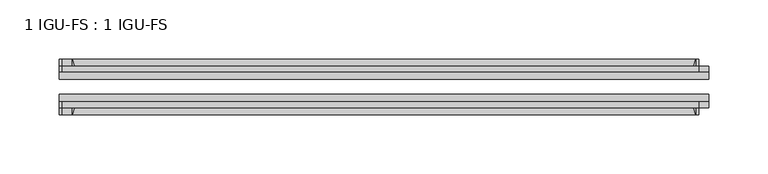
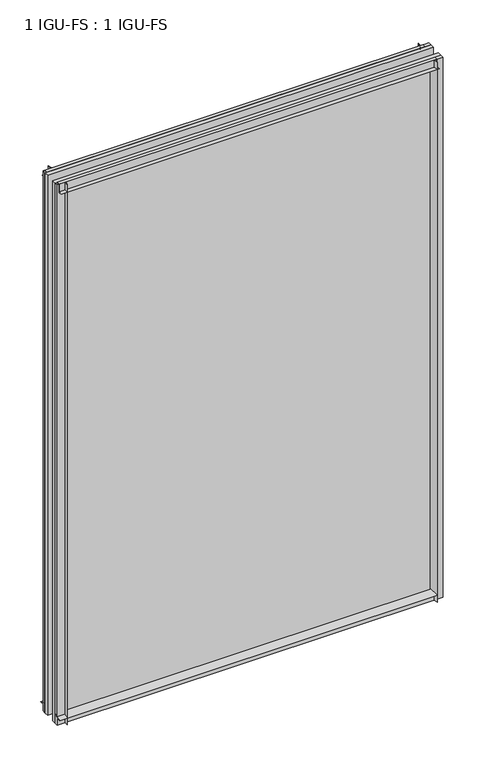
"""IFC4 building model written with IfcOpenShell, lengths in millimetres: plate geometry, 1 IGU-FS : 1 IGU-FS."""

from ifc_helpers import new_model, si_unit, point, frame, frame_2d, origin, place, context, project, spatial, polyline, circle_curve, trimmed, segment, composite_curve, outline, extrude, source, transform, mapped, element, save


def plate_1_igu_fs_1_igu_fs_43744685(model_context):
    return source(origin(), model_context, "Body", "SweptSolid", [
        extrude(outline(composite_curve([segment(polyline([(-40.084375, 3.8978906), (-40.084375, -10.3378), (-44.859575, -10.3378), (-44.859575, 0.0), (-50.8285753, 0.0)]), True, "CONTINUOUS"), segment(trimmed(circle_curve(frame_2d((-56.4601953, 32.279754)), 32.7673262), [point((-50.8285753, 0.0))], [point((-40.084375, 3.8978906))], True, "CARTESIAN"), True, "CONTINUOUS")], self_intersect=False)), frame((-274.6363094, 0.0, 0.0), z_axis=(1.0, 0.0, 0.0), x_axis=(0.0, 1.0, 0.0)), (0.0, 0.0, 1.0), 538.1601187),
        extrude(outline(composite_curve([segment(polyline([(-3.940175, 0.0), (-9.909175, 0.0), (-9.909175, -10.3378), (-14.684375, -10.3378), (-14.684375, 3.8978906)]), True, "CONTINUOUS"), segment(trimmed(circle_curve(frame_2d((1.6914453, 32.279754)), 32.7673262), [point((-14.684375, 3.8978906))], [point((-3.940175, 0.0))], True, "CARTESIAN"), True, "CONTINUOUS")], self_intersect=False)), frame((-274.6363094, 0.0, 0.0), z_axis=(1.0, 0.0, 0.0), x_axis=(0.0, 1.0, 0.0)), (0.0, 0.0, 1.0), 538.1601187),
        extrude(outline(composite_curve([segment(polyline([(-9.909175, 801.6875), (-9.909175, 790.575), (-3.9401753, 790.575)]), True, "CONTINUOUS"), segment(trimmed(circle_curve(frame_2d((1.6914453, 758.2952461)), 32.7673262), [point((-3.9401753, 790.575))], [point((-14.684375, 786.6771095))], True, "CARTESIAN"), True, "CONTINUOUS"), segment(polyline([(-14.684375, 786.6771095), (-14.684375, 801.6875), (-9.909175, 801.6875)]), True, "CONTINUOUS")], self_intersect=False)), frame((-272.036548, 0.0, 0.0), z_axis=(1.0, 0.0, 0.0), x_axis=(0.0, 1.0, 0.0)), (0.0, 0.0, 1.0), 538.1063189),
        extrude(outline(composite_curve([segment(polyline([(-40.084375, 801.6875), (-40.084375, 786.6771095)]), True, "CONTINUOUS"), segment(trimmed(circle_curve(frame_2d((-56.4601953, 758.2952461)), 32.7673262), [point((-40.084375, 786.6771095))], [point((-50.8285747, 790.575))], True, "CARTESIAN"), True, "CONTINUOUS"), segment(polyline([(-50.8285747, 790.575), (-44.859575, 790.575), (-44.859575, 801.6875), (-40.084375, 801.6875)]), True, "CONTINUOUS")], self_intersect=False)), frame((-272.036548, 0.0, 0.0), z_axis=(1.0, 0.0, 0.0), x_axis=(0.0, 1.0, 0.0)), (0.0, 0.0, 1.0), 538.1063189),
        extrude(outline(composite_curve([segment(polyline([(274.6363094, -9.909175), (274.6363094, -14.684375), (259.6259189, -14.684375)]), True, "CONTINUOUS"), segment(trimmed(circle_curve(frame_2d((231.2440554, 1.6914453)), 32.7673262), [point((259.6259189, -14.684375))], [point((263.5238094, -3.940175))], True, "CARTESIAN"), True, "CONTINUOUS"), segment(polyline([(263.5238094, -3.940175), (263.5238094, -9.909175), (274.6363094, -9.909175)]), True, "CONTINUOUS")], self_intersect=False)), frame((0.0, 0.0, -10.31875), z_axis=(0.0, 0.0, 1.0), x_axis=(1.0, 0.0, 0.0)), (0.0, 0.0, 1.0), 812.00625),
        extrude(outline(composite_curve([segment(polyline([(274.6363094, -40.084375), (274.6363094, -44.859575), (263.5238094, -44.859575), (263.5238094, -50.828575)]), True, "CONTINUOUS"), segment(trimmed(circle_curve(frame_2d((231.2440554, -56.4601953)), 32.7673262), [point((263.5238094, -50.828575))], [point((259.6259189, -40.084375))], True, "CARTESIAN"), True, "CONTINUOUS"), segment(polyline([(259.6259189, -40.084375), (274.6363094, -40.084375)]), True, "CONTINUOUS")], self_intersect=False)), frame((0.0, 0.0, -10.31875), z_axis=(0.0, 0.0, 1.0), x_axis=(1.0, 0.0, 0.0)), (0.0, 0.0, 1.0), 812.00625),
        extrude(outline(composite_curve([segment(polyline([(-274.6363094, -9.909175), (-263.5238094, -9.909175), (-263.5238094, -3.940175)]), True, "CONTINUOUS"), segment(trimmed(circle_curve(frame_2d((-231.2440554, 1.6914453)), 32.7673262), [point((-263.5238094, -3.940175))], [point((-259.6259189, -14.684375))], True, "CARTESIAN"), True, "CONTINUOUS"), segment(polyline([(-259.6259189, -14.684375), (-274.6363094, -14.684375), (-274.6363094, -9.909175)]), True, "CONTINUOUS")], self_intersect=False)), frame((0.0, 0.0, -10.31875), z_axis=(0.0, 0.0, 1.0), x_axis=(1.0, 0.0, 0.0)), (0.0, 0.0, 1.0), 812.00625),
        extrude(outline(composite_curve([segment(polyline([(-274.6363094, -44.859575), (-274.6363094, -40.084375), (-259.6259189, -40.084375)]), True, "CONTINUOUS"), segment(trimmed(circle_curve(frame_2d((-231.2440554, -56.4601953)), 32.7673262), [point((-259.6259189, -40.084375))], [point((-263.5238094, -50.828575))], True, "CARTESIAN"), True, "CONTINUOUS"), segment(polyline([(-263.5238094, -50.828575), (-263.5238094, -44.859575), (-274.6363094, -44.859575)]), True, "CONTINUOUS")], self_intersect=False)), frame((0.0, 0.0, -10.31875), z_axis=(0.0, 0.0, 1.0), x_axis=(1.0, 0.0, 0.0)), (0.0, 0.0, 1.0), 812.00625),
        extrude(outline(polyline([(-274.6363094, -40.084375), (-274.6363094, -33.785175), (274.6363094, -33.785175), (274.6363094, -40.084375), (-274.6363094, -40.084375)])), frame((0.0, 0.0, -10.31875), z_axis=(0.0, 0.0, 1.0), x_axis=(1.0, 0.0, 0.0)), (0.0, 0.0, 1.0), 812.00625),
        extrude(outline(polyline([(274.6363094, -20.983575), (-274.6363094, -20.983575), (-274.6363094, -14.684375), (274.6363094, -14.684375), (274.6363094, -20.983575)])), frame((0.0, 0.0, -10.31875), z_axis=(0.0, 0.0, 1.0), x_axis=(1.0, 0.0, 0.0)), (0.0, 0.0, 1.0), 812.00625),
    ])


if __name__ == "__main__":
    model = new_model("IFC4")
    model_context = context("Model", 3, world=origin())
    ifc_project = project(units=[si_unit("LENGTHUNIT", "METRE", prefix="MILLI")], contexts=[model_context])
    site = spatial("IfcSite", under=ifc_project)
    building = spatial("IfcBuilding", under=site)
    placement = place(None, origin())
    plate_1_igu_fs_1_igu_fs_shape = plate_1_igu_fs_1_igu_fs_43744685(model_context)
    element("IfcPlate", 1, ObjectType="1 IGU-FS : 1 IGU-FS", at=placement, inside=building, context=model_context, shape_type="MappedRepresentation", body=[
        mapped(plate_1_igu_fs_1_igu_fs_shape, transform((0.0, 0.0, 0.0), x_axis=(1.0, 0.0, 0.0), y_axis=(0.0, 1.0, 0.0), z_axis=(0.0, 0.0, 1.0))),
    ])
    save(model, "model.ifc")
